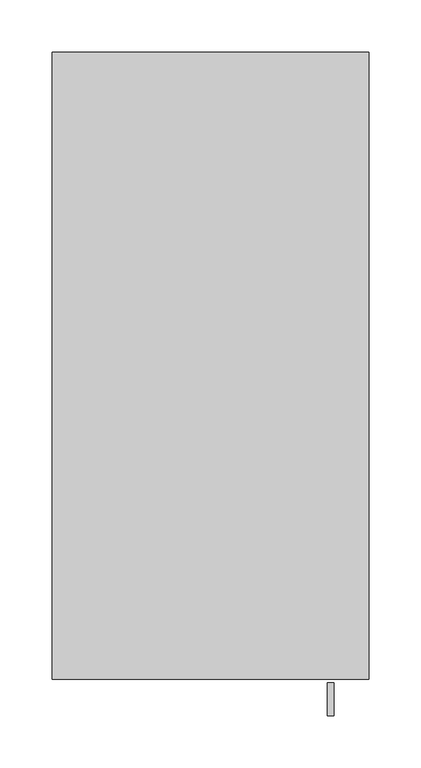
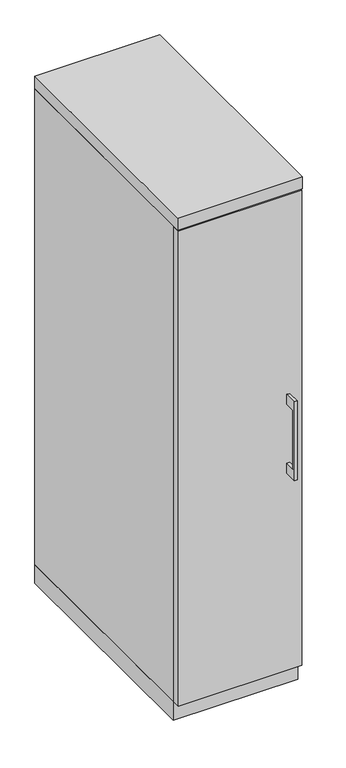
"""IFC4 building model written with IfcOpenShell, lengths in millimetres: furniture geometry."""

import ifcopenshell
import ifcopenshell.guid

model = None  # the IFC model being written
_history = None  # IfcOwnerHistory: only IFC2X3 demands one
_inside = {}  # id of a spatial element -> (the spatial element, [elements in it])
_under = {}  # id of a project, library or spatial element -> (it, [spatial elements below it])
_declared = {}  # id of a project -> (the project, [libraries it declares])
_typed = {}  # id of a type object -> (the type object, [elements of that type])
_made_of = {}  # id of a material, layer set ... -> (it, [elements and type objects made of it])


def new_model(schema):
    """Start an empty IFC model of exactly this schema.

    Asked for "IFC4X3", IfcOpenShell would pick the latest addendum, in which some entities
    have other attributes; the version numbers below select the first issue.
    IFC2X3 requires an IfcOwnerHistory on every rooted entity: one is made here for all.
    """
    global model, _history
    if schema == "IFC4X3":
        model = ifcopenshell.file(schema_version=(4, 3, 0, 0))
    else:
        model = ifcopenshell.file(schema=schema)
    _inside.clear()
    _under.clear()
    _declared.clear()
    _typed.clear()
    _made_of.clear()
    _history = None
    if model.schema == "IFC2X3":
        org = make("IfcOrganization", Name="unknown")
        user = make(
            "IfcPersonAndOrganization",
            ThePerson=make("IfcPerson", FamilyName="unknown"),
            TheOrganization=org,
        )
        app = make(
            "IfcApplication",
            ApplicationDeveloper=org,
            Version="unknown",
            ApplicationFullName="unknown",
            ApplicationIdentifier="unknown",
        )
        _history = make(
            "IfcOwnerHistory",
            OwningUser=user,
            OwningApplication=app,
            ChangeAction="ADDED",
            CreationDate=0,
        )
    return model


def make(cls, **values):
    """One entity of the class cls with the attributes given. An attribute that is None is left unset."""
    return model.create_entity(
        cls, **{name: value for name, value in values.items() if value is not None}
    )


def rooted(cls, **values):
    """An entity with a GlobalId (a new one), such as an element, a storey or a relation."""
    return make(cls, GlobalId=ifcopenshell.guid.new(), OwnerHistory=_history, **values)


def si_unit(unit_type, name, prefix=None):
    """IfcSIUnit, for example si_unit("LENGTHUNIT", "METRE", prefix="MILLI")."""
    return make("IfcSIUnit", UnitType=unit_type, Prefix=prefix, Name=name)


def assignment(units):
    """IfcUnitAssignment: the units of a project."""
    return None if units is None else make("IfcUnitAssignment", Units=units)


def point(xyz):
    """IfcCartesianPoint."""
    return None if xyz is None else make("IfcCartesianPoint", Coordinates=xyz)


def direction(xyz):
    """IfcDirection."""
    return None if xyz is None else make("IfcDirection", DirectionRatios=xyz)


def frame(location, z_axis=None, x_axis=None):
    """IfcAxis2Placement3D, a coordinate frame: its origin and axes. An axis left out is left unset."""
    return make(
        "IfcAxis2Placement3D",
        Location=point(location),
        Axis=direction(z_axis),
        RefDirection=direction(x_axis),
    )


def origin():
    """The frame at (0, 0, 0) with its axes left unset."""
    return frame((0.0, 0.0, 0.0))


def origin_with_axes():
    """The frame at (0, 0, 0) with the z axis (0, 0, 1) and the x axis (1, 0, 0) written out."""
    return frame((0.0, 0.0, 0.0), z_axis=(0.0, 0.0, 1.0), x_axis=(1.0, 0.0, 0.0))


def place(relative_to, where):
    """IfcLocalPlacement: puts the frame where relative to a parent placement (None: the world)."""
    return make(
        "IfcLocalPlacement", PlacementRelTo=relative_to, RelativePlacement=where
    )


def context(
    kind, dimensions, precision=None, world=None, true_north=None, identifier=None
):
    """IfcGeometricRepresentationContext, for example the 3D "Model" context."""
    return make(
        "IfcGeometricRepresentationContext",
        ContextIdentifier=identifier,
        ContextType=kind,
        CoordinateSpaceDimension=dimensions,
        Precision=precision,
        WorldCoordinateSystem=world,
        TrueNorth=true_north,
    )


def project(units=None, contexts=None):
    """IfcProject with its units and contexts."""
    return rooted(
        "IfcProject",
        Name="project",
        RepresentationContexts=contexts,
        UnitsInContext=assignment(units),
    )


def spatial(cls, under=None, at=None, **own):
    """A site, building, storey or space (cls), placed at a placement, below another one or the project."""
    s = rooted(cls, ObjectPlacement=at, **own)
    if under is not None:
        _under.setdefault(under.id(), (under, []))[1].append(s)
    return s


def polyline(points):
    """IfcPolyline through the points."""
    return make("IfcPolyline", Points=[point(p) for p in points])


def outline(outer, holes=None, kind="AREA"):
    """IfcArbitraryClosedProfileDef: a profile drawn as a closed curve; with holes, ...WithVoids."""
    if holes is None:
        return make("IfcArbitraryClosedProfileDef", ProfileType=kind, OuterCurve=outer)
    return make(
        "IfcArbitraryProfileDefWithVoids",
        ProfileType=kind,
        OuterCurve=outer,
        InnerCurves=holes,
    )


def extrude(swept, where, along, depth):
    """IfcExtrudedAreaSolid: the profile swept, set in the frame where, extruded along a direction by depth."""
    return make(
        "IfcExtrudedAreaSolid",
        SweptArea=swept,
        Position=where,
        ExtrudedDirection=direction(along),
        Depth=depth,
    )


def shape(context_of_items, identifier, shape_type, items):
    """IfcShapeRepresentation: the items that make up one representation, for example the "Body"."""
    return make(
        "IfcShapeRepresentation",
        ContextOfItems=context_of_items,
        RepresentationIdentifier=identifier,
        RepresentationType=shape_type,
        Items=items,
    )


def source(mapping_origin, context_of_items, identifier, shape_type, items):
    """IfcRepresentationMap: a shape defined once, which mapped items show again and again."""
    return make(
        "IfcRepresentationMap",
        MappingOrigin=mapping_origin,
        MappedRepresentation=shape(context_of_items, identifier, shape_type, items),
    )


def transform(
    local_origin,
    x_axis=None,
    y_axis=None,
    z_axis=None,
    scale=None,
    scale2=None,
    scale3=None,
    uniform=True,
):
    """IfcCartesianTransformationOperator3D, or its non-uniform kind. x_axis, y_axis, z_axis: its Axis1, 2, 3."""
    if uniform:
        return make(
            "IfcCartesianTransformationOperator3D",
            Axis1=direction(x_axis),
            Axis2=direction(y_axis),
            LocalOrigin=point(local_origin),
            Scale=scale,
            Axis3=direction(z_axis),
        )
    return make(
        "IfcCartesianTransformationOperator3DnonUniform",
        Axis1=direction(x_axis),
        Axis2=direction(y_axis),
        LocalOrigin=point(local_origin),
        Scale=scale,
        Axis3=direction(z_axis),
        Scale2=scale2,
        Scale3=scale3,
    )


def mapped(mapping_source, mapping_target):
    """IfcMappedItem: shows the shape of a source again, moved by a transform."""
    return make(
        "IfcMappedItem", MappingSource=mapping_source, MappingTarget=mapping_target
    )


def made_of(thing, what):
    """Note that an element or type object is made of a material, layer set ...; save() writes the relation."""
    if what is not None:
        _made_of.setdefault(what.id(), (what, []))[1].append(thing)
    return thing


def element(
    cls,
    number,
    at=None,
    inside=None,
    cuts=None,
    type_object=None,
    material=None,
    context=None,
    identifier="Body",
    shape_type=None,
    held_by="IfcProductDefinitionShape",
    body=None,
    shapes=None,
    **own,
):
    """One element of the class cls, such as IfcWall. Its Tag is "e" and its number.

    at: its placement. inside: the storey or other place that contains it. cuts: it is an
    opening in that element (IfcRelVoidsElement). A single representation is given by context,
    identifier, shape_type and body (its items); several are given by shapes. held_by: the class
    of the entity that holds the representations. save() writes the other relations.
    """
    e = rooted(cls, Tag="e%d" % number, ObjectPlacement=at, **own)
    if body is not None:
        shapes = [shape(context, identifier, shape_type, body)]
    if shapes is not None:
        e.Representation = make(held_by, Representations=shapes)
    if inside is not None:
        _inside.setdefault(inside.id(), (inside, []))[1].append(e)
    if cuts is not None:
        rooted(
            "IfcRelVoidsElement", RelatingBuildingElement=cuts, RelatedOpeningElement=e
        )
    if type_object is not None:
        _typed.setdefault(type_object.id(), (type_object, []))[1].append(e)
    return made_of(e, material)


def aggregate(whole, parts):
    """IfcRelAggregates: a whole, such as a stair, and the parts it consists of."""
    return rooted("IfcRelAggregates", RelatingObject=whole, RelatedObjects=parts)


def save(model, path):
    """Write the relations noted so far, then the file.

    IfcRelAggregates (storeys below a building ...), IfcRelContainedInSpatialStructure (elements
    in a storey), IfcRelDefinesByType, IfcRelAssociatesMaterial and IfcRelDeclares: one each for
    every whole, place, type object, material and project.
    """
    for whole, parts in _under.values():
        aggregate(whole, parts)
    for where, things in _inside.values():
        rooted(
            "IfcRelContainedInSpatialStructure",
            RelatedElements=things,
            RelatingStructure=where,
        )
    for kind, things in _typed.values():
        rooted("IfcRelDefinesByType", RelatedObjects=things, RelatingType=kind)
    for what, things in _made_of.values():
        rooted("IfcRelAssociatesMaterial", RelatedObjects=things, RelatingMaterial=what)
    for by, libraries in _declared.values():
        rooted("IfcRelDeclares", RelatingContext=by, RelatedDefinitions=libraries)
    model.write(path)


def furniture_7f061913(model_context):
    return source(origin(), model_context, "Body", "SweptSolid", [
        extrude(outline(polyline([(-606.425, 736.6), (-631.8249758, 736.6), (-631.8249758, 584.2), (-606.425, 584.2), (-606.425, 558.8), (-638.1749879, 558.8), (-638.1749879, 762.0), (-606.425, 762.0), (-606.425, 736.6)])), frame((112.7125121, 0.0, 0.0), z_axis=(1.0, 0.0, 0.0), x_axis=(0.0, 1.0, 0.0)), (0.0, 0.0, 1.0), 6.3499758),
        extrude(outline(polyline([(150.8125, -603.25), (-150.8125, -603.25), (-150.8125, -584.2), (150.8125, -584.2), (150.8125, -603.25)])), frame((0.0, 0.0, 47.625), z_axis=(0.0, 0.0, 1.0), x_axis=(1.0, 0.0, 0.0)), (0.0, 0.0, 1.0), 1225.55),
        extrude(outline(polyline([(152.4, 0.0), (152.4, -584.2), (-152.4, -584.2), (-152.4, 0.0), (152.4, 0.0)])), origin_with_axes(), (0.0, 0.0, 1.0), 47.625),
        extrude(outline(polyline([(152.4, 0.0), (152.4, -603.25), (-152.4, -603.25), (-152.4, 0.0), (152.4, 0.0)])), frame((0.0, 0.0, 1276.35), z_axis=(0.0, 0.0, 1.0), x_axis=(1.0, 0.0, 0.0)), (0.0, 0.0, 1.0), 31.75),
        extrude(outline(polyline([(152.4, 0.0), (152.4, -584.2), (133.35, -584.2), (133.35, -19.05), (-133.35, -19.05), (-133.35, -584.2), (-152.4, -584.2), (-152.4, 0.0), (152.4, 0.0)])), frame((0.0, 0.0, 47.625), z_axis=(0.0, 0.0, 1.0), x_axis=(1.0, 0.0, 0.0)), (0.0, 0.0, 1.0), 1228.725),
    ])


if __name__ == "__main__":
    model = new_model("IFC4")
    model_context = context("Model", 3, world=origin())
    ifc_project = project(units=[si_unit("LENGTHUNIT", "METRE", prefix="MILLI")], contexts=[model_context])
    site = spatial("IfcSite", under=ifc_project)
    building = spatial("IfcBuilding", under=site)
    placement = place(None, origin())
    furniture_shape = furniture_7f061913(model_context)
    element("IfcFurniture", 1, at=placement, inside=building, context=model_context, shape_type="MappedRepresentation", body=[
        mapped(furniture_shape, transform((0.0, 0.0, 0.0), x_axis=(1.0, 0.0, 0.0), y_axis=(0.0, 1.0, 0.0), z_axis=(0.0, 0.0, 1.0))),
    ])
    save(model, "model.ifc")
